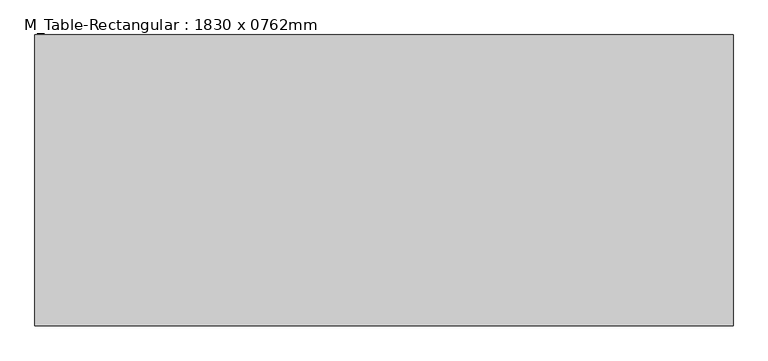
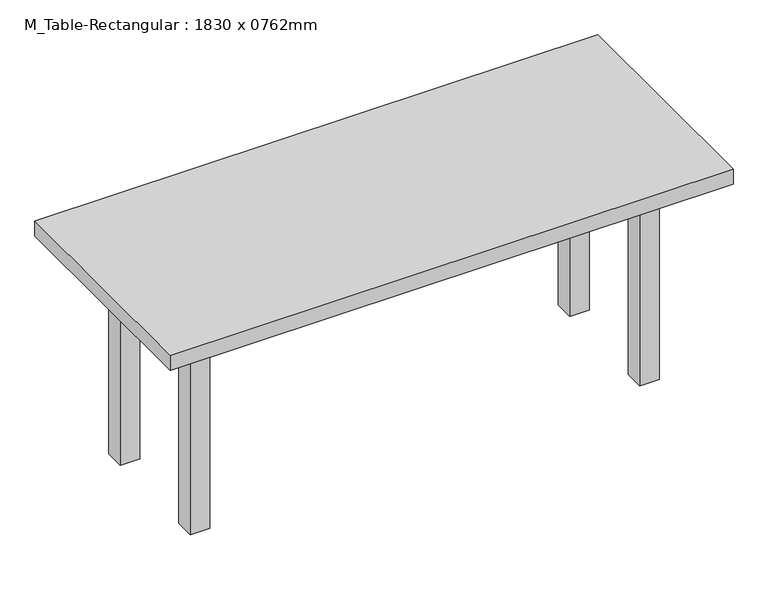
"""IFC4 building model written with IfcOpenShell, lengths in millimetres: furniture geometry, M_Table-Rectangular : 1830 x 0762mm."""

from ifc_helpers import new_model, si_unit, frame, origin, origin_with_axes, place, context, project, spatial, polyline, outline, extrude, source, transform, mapped, element, save


def m_table_rectangular_1830_x_0762mm_a0b3b7a0(model_context):
    return source(origin(), model_context, "Body", "SweptSolid", [
        extrude(outline(polyline([(699.1, 190.5), (699.1, 165.1), (-699.1, 165.1), (-699.1, 190.5), (699.1, 190.5)])), frame((0.0, 0.0, 609.6), z_axis=(0.0, 0.0, 1.0), x_axis=(1.0, 0.0, 0.0)), (0.0, 0.0, 1.0), 101.6),
        extrude(outline(polyline([(699.1, -190.5), (-699.1, -190.5), (-699.1, -165.1), (699.1, -165.1), (699.1, -190.5)])), frame((0.0, 0.0, 609.6), z_axis=(0.0, 0.0, 1.0), x_axis=(1.0, 0.0, 0.0)), (0.0, 0.0, 1.0), 101.6),
        extrude(outline(polyline([(-711.8, -165.1), (-737.2, -165.1), (-737.2, 165.1), (-711.8, 165.1), (-711.8, -165.1)])), frame((0.0, 0.0, 609.6), z_axis=(0.0, 0.0, 1.0), x_axis=(1.0, 0.0, 0.0)), (0.0, 0.0, 1.0), 101.6),
        extrude(outline(polyline([(711.8, -165.1), (711.8, 165.1), (737.2, 165.1), (737.2, -165.1), (711.8, -165.1)])), frame((0.0, 0.0, 609.6), z_axis=(0.0, 0.0, 1.0), x_axis=(1.0, 0.0, 0.0)), (0.0, 0.0, 1.0), 101.6),
        extrude(outline(polyline([(915.0, 381.0), (915.0, -381.0), (-915.0, -381.0), (-915.0, 381.0), (915.0, 381.0)])), frame((0.0, 0.0, 711.2), z_axis=(0.0, 0.0, 1.0), x_axis=(1.0, 0.0, 0.0)), (0.0, 0.0, 1.0), 50.8),
        extrude(outline(polyline([(-699.1, 228.6), (-699.1, 165.1), (-762.6, 165.1), (-762.6, 228.6), (-699.1, 228.6)])), origin_with_axes(), (0.0, 0.0, 1.0), 711.2),
        extrude(outline(polyline([(699.1, 228.6), (762.6, 228.6), (762.6, 165.1), (699.1, 165.1), (699.1, 228.6)])), origin_with_axes(), (0.0, 0.0, 1.0), 711.2),
        extrude(outline(polyline([(-699.1, -228.6), (-762.6, -228.6), (-762.6, -165.1), (-699.1, -165.1), (-699.1, -228.6)])), origin_with_axes(), (0.0, 0.0, 1.0), 711.2),
        extrude(outline(polyline([(699.1, -228.6), (699.1, -165.1), (762.6, -165.1), (762.6, -228.6), (699.1, -228.6)])), origin_with_axes(), (0.0, 0.0, 1.0), 711.2),
    ])


if __name__ == "__main__":
    model = new_model("IFC4")
    model_context = context("Model", 3, world=origin())
    ifc_project = project(units=[si_unit("LENGTHUNIT", "METRE", prefix="MILLI")], contexts=[model_context])
    site = spatial("IfcSite", under=ifc_project)
    building = spatial("IfcBuilding", under=site)
    placement = place(None, origin())
    m_table_rectangular_1830_x_0762mm_shape = m_table_rectangular_1830_x_0762mm_a0b3b7a0(model_context)
    element("IfcFurniture", 1, ObjectType="M_Table-Rectangular : 1830 x 0762mm", at=placement, inside=building, context=model_context, shape_type="MappedRepresentation", body=[
        mapped(m_table_rectangular_1830_x_0762mm_shape, transform((0.0, 0.0, 0.0), x_axis=(1.0, 0.0, 0.0), y_axis=(0.0, 1.0, 0.0), z_axis=(0.0, 0.0, 1.0))),
    ])
    save(model, "model.ifc")
